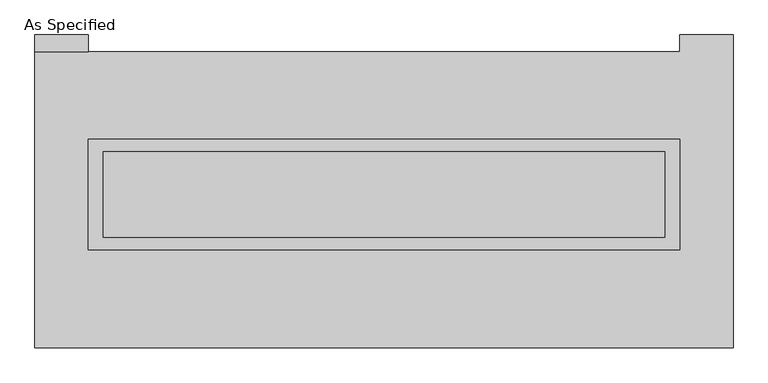
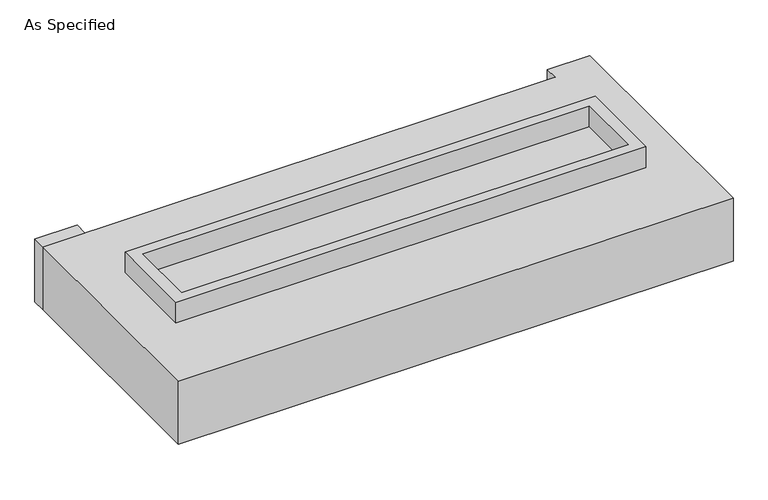
"""IFC4 building model written with IfcOpenShell, lengths in millimetres: proxy geometry, As Specified."""

from ifc_helpers import new_model, si_unit, frame, origin, place, context, project, spatial, polyline, outline, extrude, source, transform, mapped, element, save


def as_specified_c5402749(model_context):
    return source(origin(), model_context, "Body", "SweptSolid", [
        extrude(outline(polyline([(1765.3, 361.95), (1765.3, -298.45), (-1765.3, -298.45), (-1765.3, 361.95), (1765.3, 361.95)]), holes=[polyline([(1676.4, 285.75), (-1676.4, 285.75), (-1676.4, -222.25), (1676.4, -222.25), (1676.4, 285.75)])]), frame((0.0, 0.0, -688.975), z_axis=(0.0, 0.0, 1.0), x_axis=(1.0, 0.0, 0.0)), (0.0, 0.0, 1.0), 165.1),
        extrude(outline(polyline([(1765.3, 361.95), (1765.3, -298.45), (-1765.3, -298.45), (-1765.3, 361.95), (1765.3, 361.95)]), holes=[polyline([(1676.4, 285.75), (-1676.4, 285.75), (-1676.4, -222.25), (1676.4, -222.25), (1676.4, 285.75)])]), frame((0.0, 0.0, -25.4), z_axis=(0.0, 0.0, 1.0), x_axis=(1.0, 0.0, 0.0)), (0.0, 0.0, 1.0), 165.1),
        extrude(outline(polyline([(-1765.3, 882.65), (-2082.8, 882.65), (-2082.8, 984.25), (-1765.3, 984.25), (-1765.3, 882.65)])), frame((0.0, 0.0, -523.875), z_axis=(0.0, 0.0, 1.0), x_axis=(1.0, 0.0, 0.0)), (0.0, 0.0, 1.0), 498.475),
        extrude(outline(polyline([(1676.4, 285.75), (1676.4, -222.25), (-1676.4, -222.25), (-1676.4, 285.75), (1676.4, 285.75)])), frame((0.0, 0.0, -523.875), z_axis=(0.0, 0.0, 1.0), x_axis=(1.0, 0.0, 0.0)), (0.0, 0.0, 1.0), 4.9609375),
        extrude(outline(polyline([(1676.4, 285.75), (1676.4, -222.25), (-1676.4, -222.25), (-1676.4, 285.75), (1676.4, 285.75)])), frame((0.0, 0.0, -30.3609375), z_axis=(0.0, 0.0, 1.0), x_axis=(1.0, 0.0, 0.0)), (0.0, 0.0, 1.0), 4.9609375),
        extrude(outline(polyline([(2082.8, -882.65), (-2082.8, -882.65), (-2082.8, 882.65), (1765.3, 882.65), (1765.3, 984.25), (2082.8, 984.25), (2082.8, -882.65)]), holes=[polyline([(-1765.3, 361.95), (-1765.3, -298.45), (1765.3, -298.45), (1765.3, 361.95), (-1765.3, 361.95)])]), frame((0.0, 0.0, -523.875), z_axis=(0.0, 0.0, 1.0), x_axis=(1.0, 0.0, 0.0)), (0.0, 0.0, 1.0), 498.475),
    ])


if __name__ == "__main__":
    model = new_model("IFC4")
    model_context = context("Model", 3, world=origin())
    ifc_project = project(units=[si_unit("LENGTHUNIT", "METRE", prefix="MILLI")], contexts=[model_context])
    site = spatial("IfcSite", under=ifc_project)
    building = spatial("IfcBuilding", under=site)
    placement = place(None, origin())
    as_specified_shape = as_specified_c5402749(model_context)
    element("IfcBuildingElementProxy", 1, Name="As Specified", ObjectType="As Specified", at=placement, inside=building, context=model_context, shape_type="MappedRepresentation", body=[
        mapped(as_specified_shape, transform((0.0, 0.0, 0.0), x_axis=(1.0, 0.0, 0.0), y_axis=(0.0, 1.0, 0.0), z_axis=(0.0, 0.0, 1.0))),
    ])
    save(model, "model.ifc")
